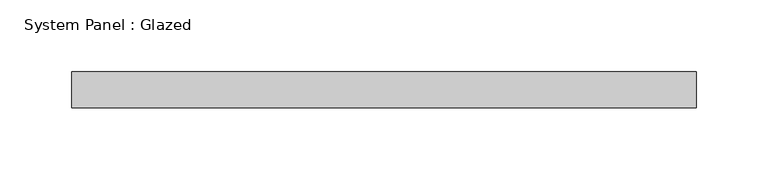
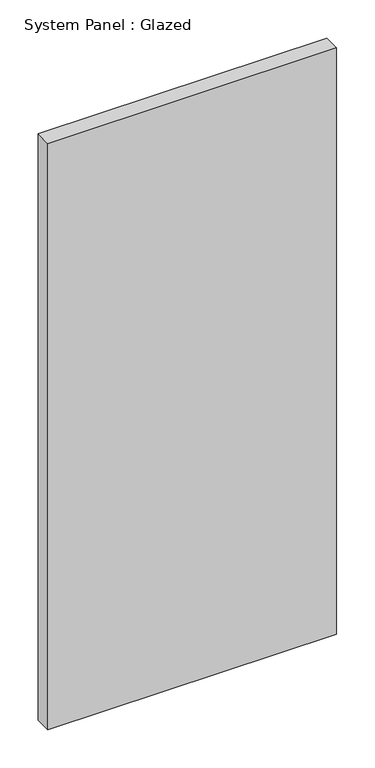
"""IFC4 building model written with IfcOpenShell, lengths in millimetres: plate geometry, System Panel : Glazed."""

from ifc_helpers import new_model, si_unit, origin, origin_with_axes, place, context, project, spatial, polyline, outline, extrude, source, transform, mapped, element, save


def system_panel_glazed_870fab80(model_context):
    return source(origin(), model_context, "Body", "SweptSolid", [
        extrude(outline(polyline([(218.25, -44.45), (-218.25, -44.45), (-218.25, -19.05), (218.25, -19.05), (218.25, -44.45)])), origin_with_axes(), (0.0, 0.0, 1.0), 936.5),
    ])


if __name__ == "__main__":
    model = new_model("IFC4")
    model_context = context("Model", 3, world=origin())
    ifc_project = project(units=[si_unit("LENGTHUNIT", "METRE", prefix="MILLI")], contexts=[model_context])
    site = spatial("IfcSite", under=ifc_project)
    building = spatial("IfcBuilding", under=site)
    placement = place(None, origin())
    system_panel_glazed_shape = system_panel_glazed_870fab80(model_context)
    element("IfcPlate", 1, ObjectType="System Panel : Glazed", at=placement, inside=building, context=model_context, shape_type="MappedRepresentation", body=[
        mapped(system_panel_glazed_shape, transform((0.0, 0.0, 0.0), x_axis=(1.0, 0.0, 0.0), y_axis=(0.0, 1.0, 0.0), z_axis=(0.0, 0.0, 1.0))),
    ])
    save(model, "model.ifc")
